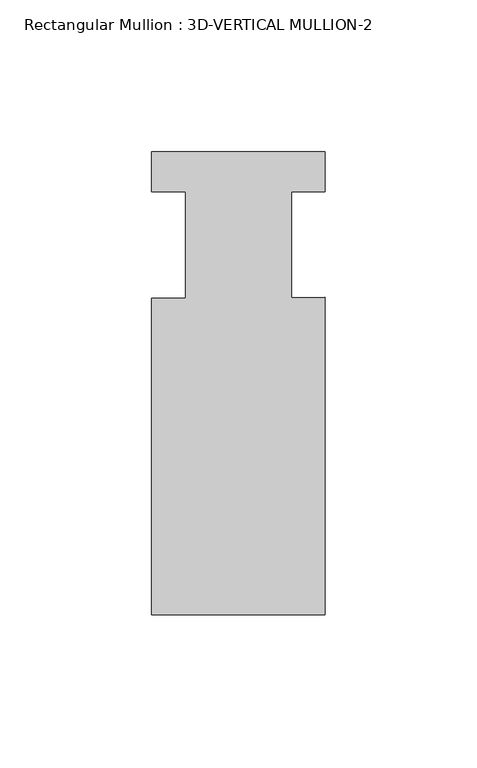
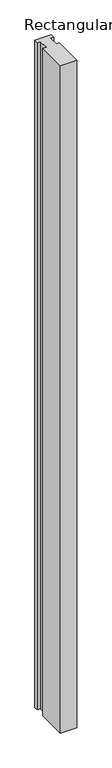
"""IFC4 building model written with IfcOpenShell, lengths in millimetres: member geometry, Rectangular Mullion : 3D-VERTICAL MULLION-2."""

from ifc_helpers import new_model, si_unit, frame, origin, place, context, project, spatial, polyline, outline, extrude, source, transform, mapped, element, save


def rectangular_mullion_3d_vertical_mullion_2_88a92254(model_context):
    return source(origin(), model_context, "Body", "SweptSolid", [
        extrude(outline(polyline([(28.575, -76.2), (-28.575, -76.2), (-28.575, 28.0416), (-17.4625, 28.0416), (-17.4625, 63.0047), (-28.575, 63.0047), (-28.575, 76.2), (28.575, 76.2), (28.575, 63.0047), (17.4625, 63.0047), (17.4625, 28.1645071), (28.575, 28.2698389), (28.575, -76.2)])), frame((0.0, 0.0, -2438.4), z_axis=(0.0, 0.0, 1.0), x_axis=(1.0, 0.0, 0.0)), (0.0, 0.0, 1.0), 2438.4),
    ])


if __name__ == "__main__":
    model = new_model("IFC4")
    model_context = context("Model", 3, world=origin())
    ifc_project = project(units=[si_unit("LENGTHUNIT", "METRE", prefix="MILLI")], contexts=[model_context])
    site = spatial("IfcSite", under=ifc_project)
    building = spatial("IfcBuilding", under=site)
    placement = place(None, origin())
    rectangular_mullion_3d_vertical_mullion_2_shape = rectangular_mullion_3d_vertical_mullion_2_88a92254(model_context)
    element("IfcMember", 1, ObjectType="Rectangular Mullion : 3D-VERTICAL MULLION-2", at=placement, inside=building, context=model_context, shape_type="MappedRepresentation", body=[
        mapped(rectangular_mullion_3d_vertical_mullion_2_shape, transform((0.0, 0.0, 0.0), x_axis=(1.0, 0.0, 0.0), y_axis=(0.0, 1.0, 0.0), z_axis=(0.0, 0.0, 1.0))),
    ])
    save(model, "model.ifc")
